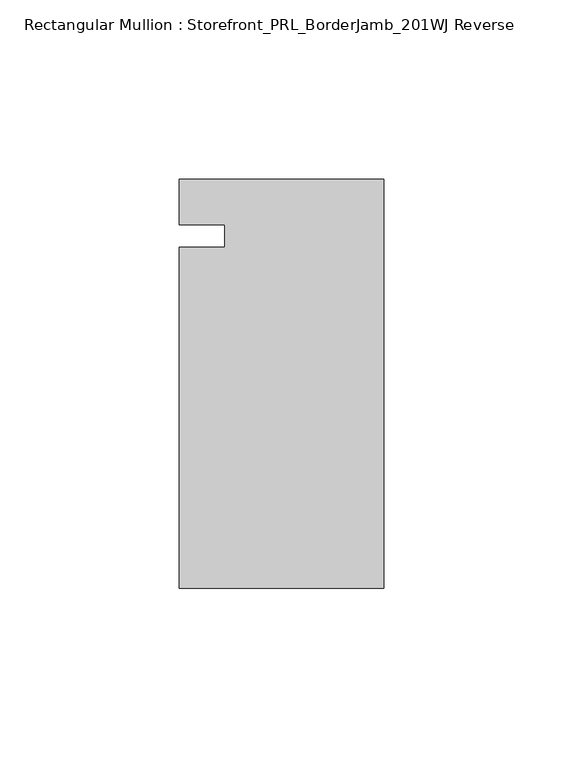
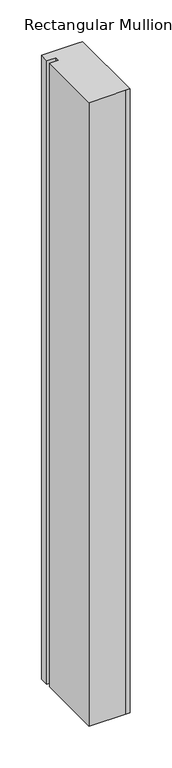
"""IFC4 building model written with IfcOpenShell, lengths in millimetres: member geometry, Rectangular Mullion : Storefront_PRL_BorderJamb_201WJ Reverse."""

from ifc_helpers import new_model, si_unit, frame, origin, place, context, project, spatial, polyline, outline, extrude, source, transform, mapped, element, save


def rectangular_mullion_storefront_prl_borderjamb_201wj_reverse_4ca45098(model_context):
    return source(origin(), model_context, "Body", "SweptSolid", [
        extrude(outline(polyline([(-44.45, -3.175), (-44.45, 3.175), (-57.15, 3.175), (-57.15, 15.875), (-7.3958824, 15.875), (0.0, 15.875), (0.0, -98.425), (-6.35, -98.425), (-57.15, -98.425), (-57.15, -3.175), (-44.45, -3.175)])), frame((0.0, 0.0, -914.4), z_axis=(0.0, 0.0, 1.0), x_axis=(1.0, 0.0, 0.0)), (0.0, 0.0, 1.0), 914.4),
    ])


if __name__ == "__main__":
    model = new_model("IFC4")
    model_context = context("Model", 3, world=origin())
    ifc_project = project(units=[si_unit("LENGTHUNIT", "METRE", prefix="MILLI")], contexts=[model_context])
    site = spatial("IfcSite", under=ifc_project)
    building = spatial("IfcBuilding", under=site)
    placement = place(None, origin())
    rectangular_mullion_storefront_prl_borderjamb_201wj_reverse_shape = rectangular_mullion_storefront_prl_borderjamb_201wj_reverse_4ca45098(model_context)
    element("IfcMember", 1, ObjectType="Rectangular Mullion : Storefront_PRL_BorderJamb_201WJ Reverse", at=placement, inside=building, context=model_context, shape_type="MappedRepresentation", body=[
        mapped(rectangular_mullion_storefront_prl_borderjamb_201wj_reverse_shape, transform((0.0, 0.0, 0.0), x_axis=(1.0, 0.0, 0.0), y_axis=(0.0, 1.0, 0.0), z_axis=(0.0, 0.0, 1.0))),
    ])
    save(model, "model.ifc")
